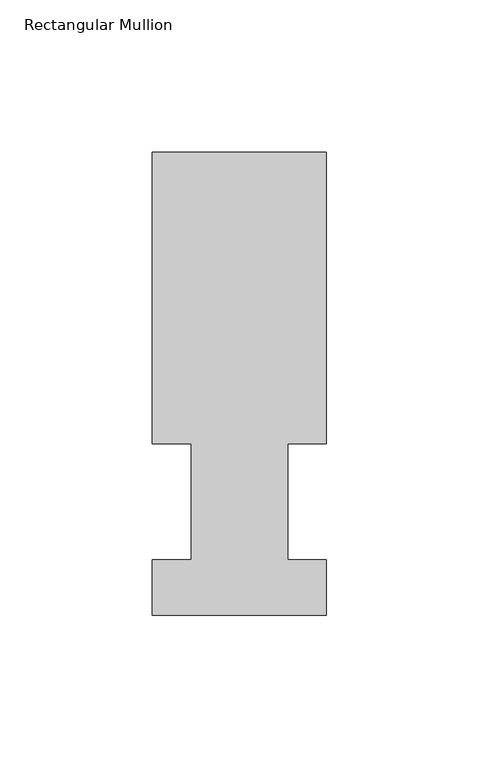
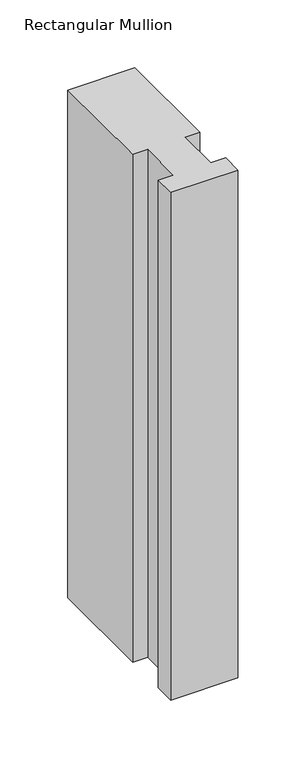
"""IFC4 building model written with IfcOpenShell, lengths in millimetres: member geometry, Rectangular Mullion."""

from ifc_helpers import new_model, si_unit, frame, origin, place, context, project, spatial, polyline, outline, extrude, source, transform, mapped, element, save


def rectangular_mullion_f8e30620(model_context):
    return source(origin(), model_context, "Body", "SweptSolid", [
        extrude(outline(polyline([(-57.15, 151.98725), (0.0, 151.98725), (0.0, 56.35625), (-12.7, 56.35625), (-12.7, 18.25625), (0.0, 18.25625), (0.0, -0.03175), (-57.15, -0.03175), (-57.15, 18.25625), (-44.45, 18.25625), (-44.45, 56.35625), (-57.15, 56.35625), (-57.15, 151.98725)])), frame((0.0, 0.0, -457.1682499), z_axis=(0.0, 0.0, 1.0), x_axis=(1.0, 0.0, 0.0)), (0.0, 0.0, 1.0), 457.1682499),
    ])


if __name__ == "__main__":
    model = new_model("IFC4")
    model_context = context("Model", 3, world=origin())
    ifc_project = project(units=[si_unit("LENGTHUNIT", "METRE", prefix="MILLI")], contexts=[model_context])
    site = spatial("IfcSite", under=ifc_project)
    building = spatial("IfcBuilding", under=site)
    placement = place(None, origin())
    rectangular_mullion_shape = rectangular_mullion_f8e30620(model_context)
    element("IfcMember", 1, ObjectType="Rectangular Mullion", at=placement, inside=building, context=model_context, shape_type="MappedRepresentation", body=[
        mapped(rectangular_mullion_shape, transform((0.0, 0.0, 0.0), x_axis=(1.0, 0.0, 0.0), y_axis=(0.0, 1.0, 0.0), z_axis=(0.0, 0.0, 1.0))),
    ])
    save(model, "model.ifc")
